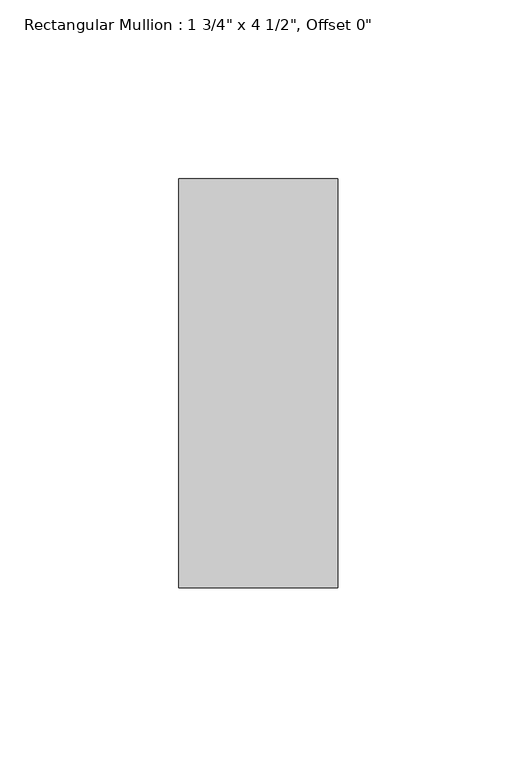
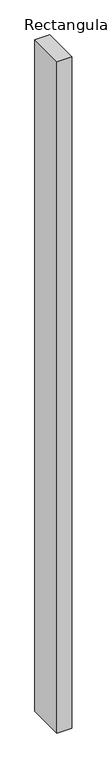
"""IFC4 building model written with IfcOpenShell, lengths in millimetres: member geometry."""

from ifc_helpers import new_model, si_unit, frame, origin, place, context, project, spatial, polyline, outline, extrude, source, transform, mapped, element, save


def member_e019b337(model_context):
    return source(origin(), model_context, "Body", "SweptSolid", [
        extrude(outline(polyline([(22.225, 57.15), (22.225, -57.15), (-22.225, -57.15), (-22.225, 57.15), (22.225, 57.15)])), frame((0.0, 0.0, -2127.25), z_axis=(0.0, 0.0, 1.0), x_axis=(1.0, 0.0, 0.0)), (0.0, 0.0, 1.0), 2127.25),
    ])


if __name__ == "__main__":
    model = new_model("IFC4")
    model_context = context("Model", 3, world=origin())
    ifc_project = project(units=[si_unit("LENGTHUNIT", "METRE", prefix="MILLI")], contexts=[model_context])
    site = spatial("IfcSite", under=ifc_project)
    building = spatial("IfcBuilding", under=site)
    placement = place(None, origin())
    member_shape = member_e019b337(model_context)
    element("IfcMember", 1, ObjectType="Rectangular Mullion : 1 3/4\" x 4 1/2\", Offset 0\"", at=placement, inside=building, context=model_context, shape_type="MappedRepresentation", body=[
        mapped(member_shape, transform((0.0, 0.0, 0.0), x_axis=(1.0, 0.0, 0.0), y_axis=(0.0, 1.0, 0.0), z_axis=(0.0, 0.0, 1.0))),
    ])
    save(model, "model.ifc")
